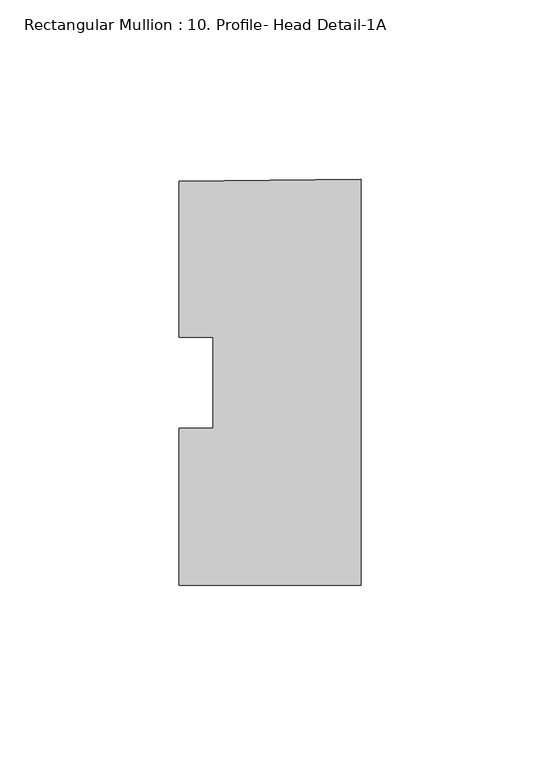
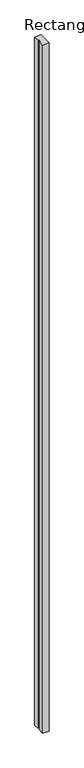
"""IFC4 building model written with IfcOpenShell, lengths in millimetres: member geometry, Rectangular Mullion : 10. Profile- Head Detail-1A."""

from ifc_helpers import new_model, si_unit, frame, origin, place, context, project, spatial, polyline, outline, extrude, source, transform, mapped, element, save


def rectangular_mullion_10_profile_head_detail_1a_b0127fa8(model_context):
    return source(origin(), model_context, "Body", "SweptSolid", [
        extrude(outline(polyline([(0.0, 56.93103), (0.0, -56.4442518), (-50.8, -56.4443153), (-50.8, -12.6589179), (-41.275, -12.6589179), (-41.275, 12.8287804), (-50.8, 12.8287804), (-50.8, 56.2620221), (0.0, 56.93103)])), frame((0.0, 0.0, -5897.2582144), z_axis=(0.0, 0.0, 1.0), x_axis=(1.0, 0.0, 0.0)), (0.0, 0.0, 1.0), 5897.2582144),
    ])


if __name__ == "__main__":
    model = new_model("IFC4")
    model_context = context("Model", 3, world=origin())
    ifc_project = project(units=[si_unit("LENGTHUNIT", "METRE", prefix="MILLI")], contexts=[model_context])
    site = spatial("IfcSite", under=ifc_project)
    building = spatial("IfcBuilding", under=site)
    placement = place(None, origin())
    rectangular_mullion_10_profile_head_detail_1a_shape = rectangular_mullion_10_profile_head_detail_1a_b0127fa8(model_context)
    element("IfcMember", 1, ObjectType="Rectangular Mullion : 10. Profile- Head Detail-1A", at=placement, inside=building, context=model_context, shape_type="MappedRepresentation", body=[
        mapped(rectangular_mullion_10_profile_head_detail_1a_shape, transform((0.0, 0.0, 0.0), x_axis=(1.0, 0.0, 0.0), y_axis=(0.0, 1.0, 0.0), z_axis=(0.0, 0.0, 1.0))),
    ])
    save(model, "model.ifc")
